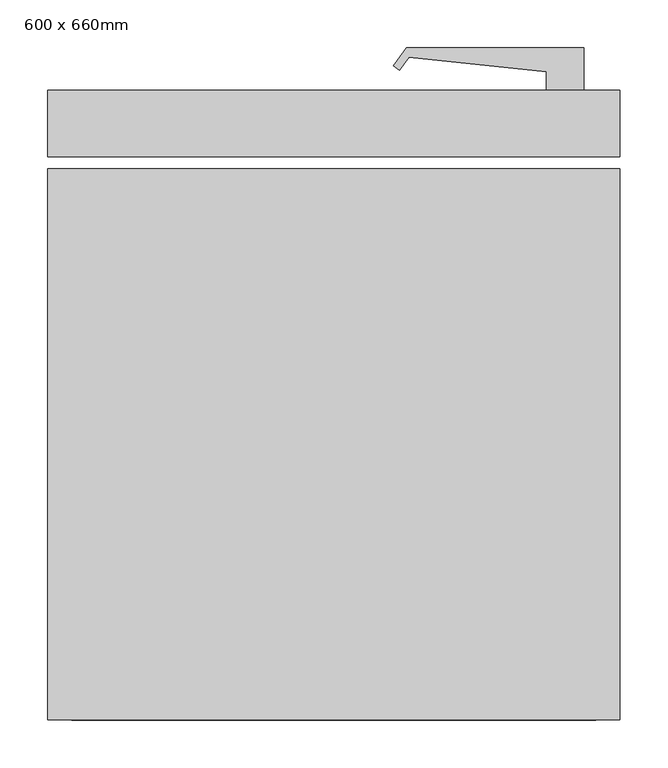
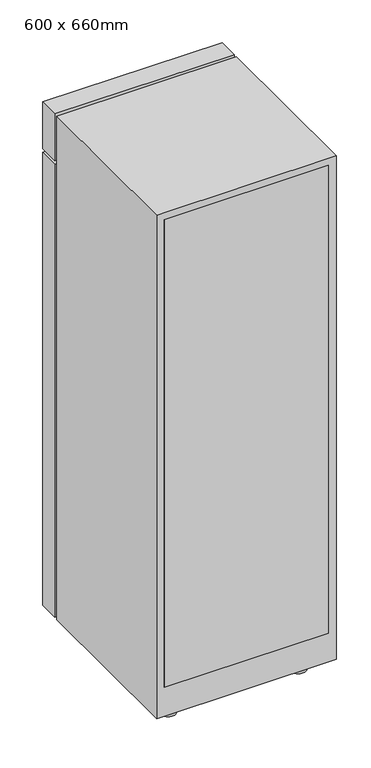
"""IFC4 building model written with IfcOpenShell, lengths in millimetres: proxy geometry, 600 x 660mm."""

from ifc_helpers import new_model, si_unit, point, frame, frame_2d, origin, origin_with_axes, place, context, project, spatial, polyline, circle_curve, trimmed, segment, composite_curve, outline, extrude, source, transform, mapped, element, save


def proxy_600_x_660mm_0a899b9c(model_context):
    return source(origin(), model_context, "Body", "SweptSolid", [
        extrude(outline(polyline([(208.0988574, 408.1036861), (208.0988574, 363.7849098), (168.9242419, 363.7849098), (168.9242419, 383.0358618), (25.1756383, 398.2543926), (15.2273026, 384.7471068), (8.7240737, 389.5368406), (22.3988574, 408.1036861), (208.0988574, 408.1036861)])), frame((0.0, 0.0, 1071.927792), z_axis=(0.0, 0.0, 1.0), x_axis=(1.0, 0.0, 0.0)), (0.0, 0.0, 1.0), 31.75),
        extrude(outline(composite_curve([segment(trimmed(circle_curve(frame_2d((-271.2511426, -220.0150902)), 25.4), [point((-296.6511426, -220.0150902))], [point((-245.8511426, -220.0150902))], False, "CARTESIAN"), True, "CONTINUOUS"), segment(trimmed(circle_curve(frame_2d((-271.2511426, -220.0150902)), 25.4), [point((-245.8511426, -220.0150902))], [point((-296.6511426, -220.0150902))], False, "CARTESIAN"), True, "CONTINUOUS")], self_intersect=False)), origin_with_axes(), (0.0, 0.0, 1.0), 50.8),
        extrude(outline(composite_curve([segment(trimmed(circle_curve(frame_2d((163.6488574, -220.0150902)), 25.4), [point((138.2488574, -220.0150902))], [point((189.0488574, -220.0150902))], False, "CARTESIAN"), True, "CONTINUOUS"), segment(trimmed(circle_curve(frame_2d((163.6488574, -220.0150902)), 25.4), [point((189.0488574, -220.0150902))], [point((138.2488574, -220.0150902))], False, "CARTESIAN"), True, "CONTINUOUS")], self_intersect=False)), origin_with_axes(), (0.0, 0.0, 1.0), 50.8),
        extrude(outline(composite_curve([segment(trimmed(circle_curve(frame_2d((-271.2511426, 236.7849098)), 25.4), [point((-296.6511426, 236.7849098))], [point((-245.8511426, 236.7849098))], False, "CARTESIAN"), True, "CONTINUOUS"), segment(trimmed(circle_curve(frame_2d((-271.2511426, 236.7849098)), 25.4), [point((-245.8511426, 236.7849098))], [point((-296.6511426, 236.7849098))], False, "CARTESIAN"), True, "CONTINUOUS")], self_intersect=False)), origin_with_axes(), (0.0, 0.0, 1.0), 50.8),
        extrude(outline(composite_curve([segment(trimmed(circle_curve(frame_2d((163.6488574, 236.7849098)), 25.4), [point((138.2488574, 236.7849098))], [point((189.0488574, 236.7849098))], False, "CARTESIAN"), True, "CONTINUOUS"), segment(trimmed(circle_curve(frame_2d((163.6488574, 236.7849098)), 25.4), [point((189.0488574, 236.7849098))], [point((138.2488574, 236.7849098))], False, "CARTESIAN"), True, "CONTINUOUS")], self_intersect=False)), origin_with_axes(), (0.0, 0.0, 1.0), 50.8),
        extrude(outline(polyline([(246.1988574, 363.7849098), (246.1988574, 293.9349098), (-353.8011426, 293.9349098), (-353.8011426, 363.7849098), (246.1988574, 363.7849098)])), frame((0.0, 0.0, 50.8), z_axis=(0.0, 0.0, 1.0), x_axis=(1.0, 0.0, 0.0)), (0.0, 0.0, 1.0), 1601.4),
        extrude(outline(polyline([(246.1988574, 363.7849098), (246.1988574, 293.9349098), (-353.8011426, 293.9349098), (-353.8011426, 363.7849098), (246.1988574, 363.7849098)])), frame((0.0, 0.0, 1664.9), z_axis=(0.0, 0.0, 1.0), x_axis=(1.0, 0.0, 0.0)), (0.0, 0.0, 1.0), 165.1),
        extrude(outline(polyline([(220.7988574, -270.8150902), (220.7988574, -296.2150902), (-328.4011426, -296.2150902), (-328.4011426, -270.8150902), (220.7988574, -270.8150902)])), frame((0.0, 0.0, 152.4), z_axis=(0.0, 0.0, 1.0), x_axis=(1.0, 0.0, 0.0)), (0.0, 0.0, 1.0), 1652.2),
        extrude(outline(polyline([(1830.0, 246.1988574), (1830.0, -353.8011426), (50.8, -353.8011426), (50.8, 246.1988574), (1830.0, 246.1988574)]), holes=[polyline([(1626.8, 220.7988574), (431.8, 220.7988574), (431.8, -328.4011426), (1626.8, -328.4011426), (1626.8, 220.7988574)])]), frame((0.0, -296.2150902, 0.0), z_axis=(0.0, 1.0, 0.0), x_axis=(0.0, 0.0, 1.0)), (0.0, 0.0, 1.0), 577.45),
    ])


if __name__ == "__main__":
    model = new_model("IFC4")
    model_context = context("Model", 3, world=origin())
    ifc_project = project(units=[si_unit("LENGTHUNIT", "METRE", prefix="MILLI")], contexts=[model_context])
    site = spatial("IfcSite", under=ifc_project)
    building = spatial("IfcBuilding", under=site)
    placement = place(None, origin())
    proxy_600_x_660mm_shape = proxy_600_x_660mm_0a899b9c(model_context)
    element("IfcBuildingElementProxy", 1, Name="600 x 660mm", ObjectType="600 x 660mm", at=placement, inside=building, context=model_context, shape_type="MappedRepresentation", body=[
        mapped(proxy_600_x_660mm_shape, transform((0.0, 0.0, 0.0), x_axis=(1.0, 0.0, 0.0), y_axis=(0.0, 1.0, 0.0), z_axis=(0.0, 0.0, 1.0))),
    ])
    save(model, "model.ifc")
